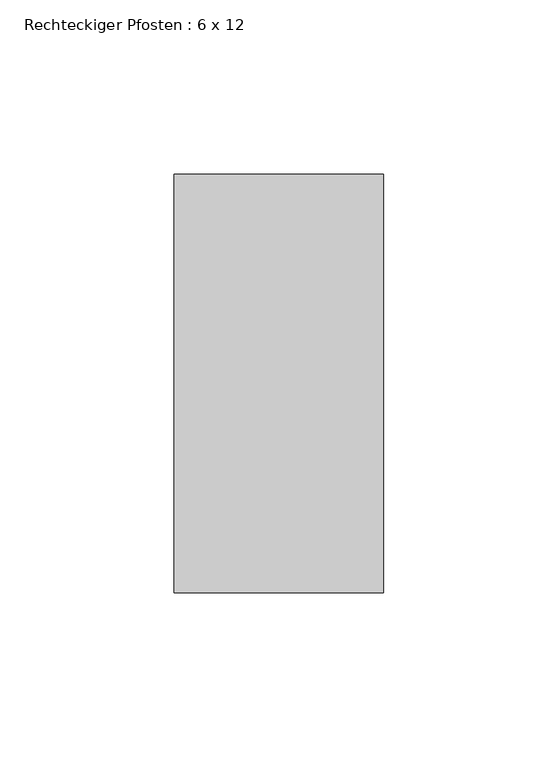
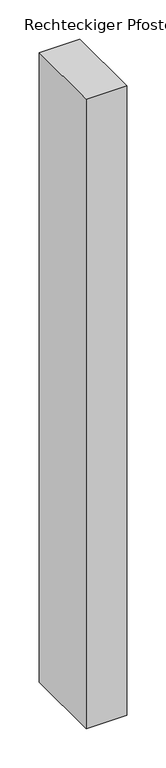
"""IFC4 building model written with IfcOpenShell, lengths in millimetres: member geometry, Rechteckiger Pfosten : 6 x 12."""

from ifc_helpers import new_model, si_unit, frame, origin, place, context, project, spatial, polyline, outline, extrude, source, transform, mapped, element, save


def rechteckiger_pfosten_6_x_12_e2c161d7(model_context):
    return source(origin(), model_context, "Body", "SweptSolid", [
        extrude(outline(polyline([(0.0, 60.0), (0.0, -60.0), (-60.0, -60.0), (-60.0, 60.0), (0.0, 60.0)])), frame((0.0, 0.0, -981.6674959), z_axis=(0.0, 0.0, 1.0), x_axis=(1.0, 0.0, 0.0)), (0.0, 0.0, 1.0), 981.6674959),
    ])


if __name__ == "__main__":
    model = new_model("IFC4")
    model_context = context("Model", 3, world=origin())
    ifc_project = project(units=[si_unit("LENGTHUNIT", "METRE", prefix="MILLI")], contexts=[model_context])
    site = spatial("IfcSite", under=ifc_project)
    building = spatial("IfcBuilding", under=site)
    placement = place(None, origin())
    rechteckiger_pfosten_6_x_12_shape = rechteckiger_pfosten_6_x_12_e2c161d7(model_context)
    element("IfcMember", 1, ObjectType="Rechteckiger Pfosten : 6 x 12", at=placement, inside=building, context=model_context, shape_type="MappedRepresentation", body=[
        mapped(rechteckiger_pfosten_6_x_12_shape, transform((0.0, 0.0, 0.0), x_axis=(1.0, 0.0, 0.0), y_axis=(0.0, 1.0, 0.0), z_axis=(0.0, 0.0, 1.0))),
    ])
    save(model, "model.ifc")
